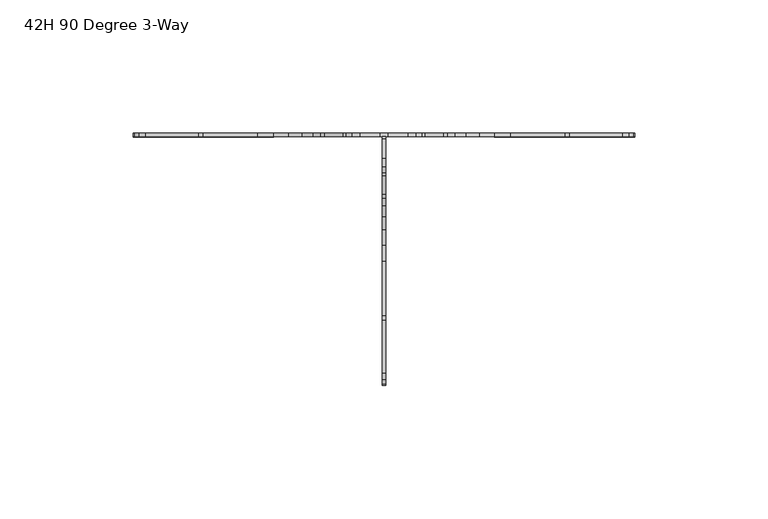
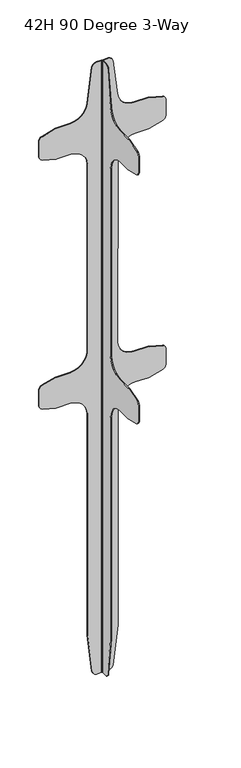
"""IFC4 building model written with IfcOpenShell, lengths in millimetres: furniture geometry, 42H 90 Degree 3-Way."""

from ifc_helpers import new_model, si_unit, frame, origin, place, context, project, spatial, polyline, outline, extrude, source, transform, mapped, element, save


def furniture_42h_90_degree_3_way_908fbba0(model_context):
    return source(origin(), model_context, "Body", "SweptSolid", [
        extrude(outline(polyline([(-0.7033225, -1.4907225), (-0.7033225, -0.7033225), (0.6174775, -0.7033225), (0.6174775, -1.4907225), (-0.7033225, -1.4907225)])), frame((0.0, 0.0, 45.7454), z_axis=(0.0, 0.0, 1.0), x_axis=(1.0, 0.0, 0.0)), (0.0, 0.0, 1.0), 959.4087836),
        extrude(outline(polyline([(1.4907225, 0.6174775), (1.4907225, -0.7033225), (-1.4907225, -0.7033225), (-1.4907225, 0.6174775), (1.4907225, 0.6174775)])), frame((0.0, 0.0, 45.7454), z_axis=(0.0, 0.0, 1.0), x_axis=(1.0, 0.0, 0.0)), (0.0, 0.0, 1.0), 959.4087836),
        extrude(outline(polyline([(-9.0273083, 1005.1541836), (-1.4907225, 1005.1541836), (-1.4907225, 45.7454), (-9.0273083, 45.7454), (-11.9698465, 46.4683255), (-14.242389, 48.4724955), (-15.3274938, 51.3015788), (-22.6284153, 110.839301), (-22.6284153, 458.4954151), (-23.4938989, 465.0693961), (-26.0313712, 471.195403), (-30.0679049, 476.4559104), (-35.3284168, 480.4924373), (-41.4544101, 483.0299277), (-48.0284138, 483.8953909), (-67.8426204, 483.8953909), (-69.4861247, 484.1117658), (-89.3721157, 489.4402196), (-91.8103208, 490.7094372), (-93.4836743, 492.890227), (-94.0786144, 495.5738205), (-94.0786144, 520.4769516), (-93.4836743, 523.1605814), (-91.8103208, 525.3413349), (-89.3721157, 526.6105888), (-69.4861247, 531.9390427), (-67.8426204, 532.1554175), (-47.4291453, 532.1554175), (-41.3690637, 532.888912), (-35.6589948, 535.0471015), (-30.6287377, 538.5052843), (-26.5688248, 543.0637997), (-23.713746, 548.4592552), (-22.6284153, 554.3801147), (-22.6284153, 848.9441691), (-23.4938989, 855.5181864), (-26.0313712, 861.6441933), (-30.0679049, 866.9047007), (-35.3284168, 870.9412276), (-41.4544101, 873.478718), (-48.0284138, 874.3442175), (-67.8426204, 874.3442175), (-69.4861247, 874.5605561), (-89.3721157, 879.8890099), (-91.8103208, 881.1582638), (-93.4836743, 883.3390173), (-94.0786144, 886.0226471), (-94.0786144, 910.9257782), (-93.4836743, 913.609408), (-91.8103208, 915.7901616), (-89.3721157, 917.0593428), (-69.4861247, 922.3877966), (-67.8426204, 922.6042078), (-47.4291453, 922.6042078), (-41.3690637, 923.337666), (-35.6589948, 925.4958918), (-30.6287377, 928.954111), (-26.5688248, 933.5125536), (-23.713746, 938.9080819), (-22.2284034, 944.8288687), (-15.3274938, 999.5979821), (-14.242389, 1002.4270972), (-11.9698465, 1004.4312626), (-9.0273083, 1005.1541836)])), frame((-0.7033225, 0.0, 0.0), z_axis=(1.0, 0.0, 0.0), x_axis=(0.0, 1.0, 0.0)), (0.0, 0.0, 1.0), 1.3208),
        extrude(outline(polyline([(1005.1541836, 9.0273083), (1005.1541836, 1.4907225), (45.7454, 1.4907225), (45.7454, 9.0273083), (46.4683255, 11.9698465), (48.4724955, 14.242389), (51.3015788, 15.3274938), (110.839301, 22.6284153), (458.4954151, 22.6284153), (465.0693961, 23.4938989), (471.195403, 26.0313712), (476.4559104, 30.0679049), (480.4924373, 35.3284168), (483.0299277, 41.4544101), (483.8953909, 48.0284138), (483.8953909, 67.8426204), (484.1117658, 69.4861247), (489.4402196, 89.3721157), (490.7094372, 91.8103208), (492.890227, 93.4836743), (495.5738205, 94.0786144), (520.4769516, 94.0786144), (523.1605814, 93.4836743), (525.3413349, 91.8103208), (526.6105888, 89.3721157), (531.9390427, 69.4861247), (532.1554175, 67.8426204), (532.1554175, 47.4291453), (532.888912, 41.3690637), (535.0471015, 35.6589948), (538.5052843, 30.6287377), (543.0637997, 26.5688248), (548.4592552, 23.713746), (554.3801147, 22.2284034), (848.9441691, 22.6284153), (855.5181864, 23.4938989), (861.6441933, 26.0313712), (866.9047007, 30.0679049), (870.9412276, 35.3284168), (873.478718, 41.4544101), (874.3442175, 48.0284138), (874.3442175, 67.8426204), (874.5605561, 69.4861247), (879.8890099, 89.3721157), (881.1582638, 91.8103208), (883.3390173, 93.4836743), (886.0226471, 94.0786144), (910.9257782, 94.0786144), (913.609408, 93.4836743), (915.7901616, 91.8103208), (917.0593428, 89.3721157), (922.3877966, 69.4861247), (922.6042078, 67.8426204), (922.6042078, 47.4291453), (923.337666, 41.3690637), (925.4958918, 35.6589948), (928.954111, 30.6287377), (933.5125536, 26.5688248), (938.9080819, 23.713746), (944.8288687, 22.2284034), (999.5979821, 15.3274938), (1002.4270972, 14.242389), (1004.4312626, 11.9698465), (1005.1541836, 9.0273083)])), frame((0.0, -0.7033225, 0.0), z_axis=(0.0, 1.0, 0.0), x_axis=(0.0, 0.0, 1.0)), (0.0, 0.0, 1.0), 1.3208),
        extrude(outline(polyline([(1005.1541836, -9.0273083), (1004.4312626, -11.9698465), (1002.4270972, -14.242389), (999.5979821, -15.3274938), (944.8288687, -22.2284034), (938.9080819, -23.713746), (933.5125536, -26.5688248), (928.954111, -30.6287377), (925.4958918, -35.6589948), (923.337666, -41.3690637), (922.6042078, -47.4291453), (922.6042078, -67.8426204), (922.3877966, -69.4861247), (917.0593428, -89.3721157), (915.7901616, -91.8103208), (913.609408, -93.4836743), (910.9257782, -94.0786144), (886.0226471, -94.0786144), (883.3390173, -93.4836743), (881.1582638, -91.8103208), (879.8890099, -89.3721157), (874.5605561, -69.0861128), (874.3442175, -67.4426085), (874.3442175, -47.6284019), (873.478718, -41.0543982), (870.9412276, -34.9284049), (866.9047007, -29.667893), (861.6441933, -25.6313593), (855.5181864, -23.093887), (848.9441691, -22.2284034), (554.3801147, -22.2284034), (548.4592552, -23.713746), (543.0637997, -26.5688248), (538.5052843, -30.6287377), (535.0471015, -35.6589948), (532.888912, -41.3690637), (532.1554175, -47.4291453), (532.1554175, -67.8426204), (531.9390427, -69.4861247), (526.6105888, -89.3721157), (525.3413349, -91.8103208), (523.1605814, -93.4836743), (520.4769516, -94.0786144), (495.5738205, -94.0786144), (492.890227, -93.4836743), (490.7094372, -91.8103208), (489.4402196, -89.3721157), (484.1117658, -69.4861247), (483.8953909, -67.8426204), (483.8953909, -48.0284138), (483.0299277, -41.4544101), (480.4924373, -35.3284168), (476.4559104, -30.0679049), (471.195403, -26.0313712), (465.0693961, -23.4938989), (458.4954151, -22.6284153), (110.839301, -22.6284153), (51.3015788, -15.3274938), (48.4724955, -14.242389), (46.4683255, -11.9698465), (45.7454, -9.0273083), (45.7454, -1.4907225), (1005.1541836, -1.4907225), (1005.1541836, -9.0273083)])), frame((0.0, -0.7033225, 0.0), z_axis=(0.0, 1.0, 0.0), x_axis=(0.0, 0.0, 1.0)), (0.0, 0.0, 1.0), 1.3208),
    ])


if __name__ == "__main__":
    model = new_model("IFC4")
    model_context = context("Model", 3, world=origin())
    ifc_project = project(units=[si_unit("LENGTHUNIT", "METRE", prefix="MILLI")], contexts=[model_context])
    site = spatial("IfcSite", under=ifc_project)
    building = spatial("IfcBuilding", under=site)
    placement = place(None, origin())
    furniture_42h_90_degree_3_way_shape = furniture_42h_90_degree_3_way_908fbba0(model_context)
    element("IfcFurniture", 1, ObjectType="42H 90 Degree 3-Way", at=placement, inside=building, context=model_context, shape_type="MappedRepresentation", body=[
        mapped(furniture_42h_90_degree_3_way_shape, transform((0.0, 0.0, 0.0), x_axis=(1.0, 0.0, 0.0), y_axis=(0.0, 1.0, 0.0), z_axis=(0.0, 0.0, 1.0))),
    ])
    save(model, "model.ifc")
